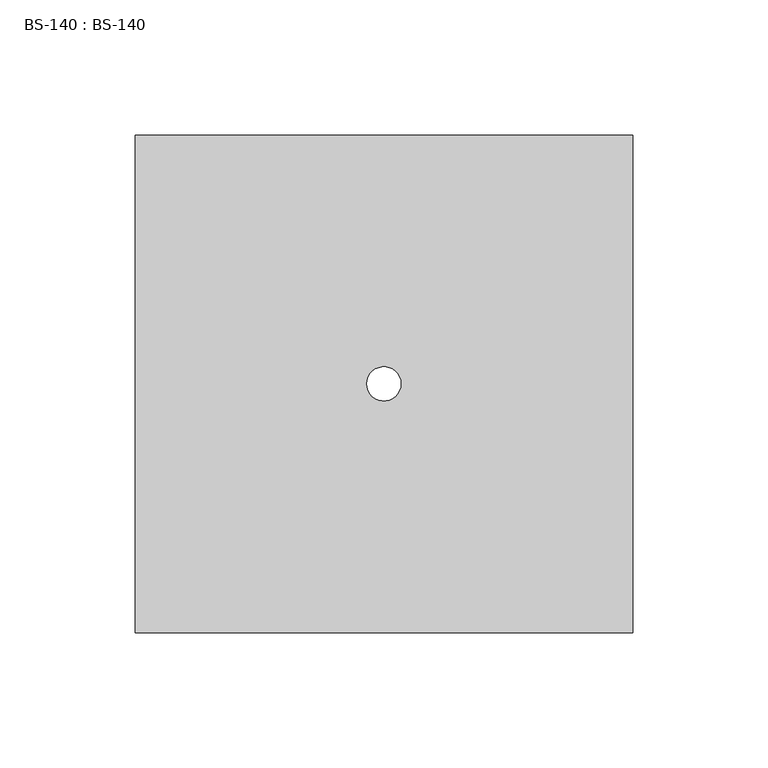
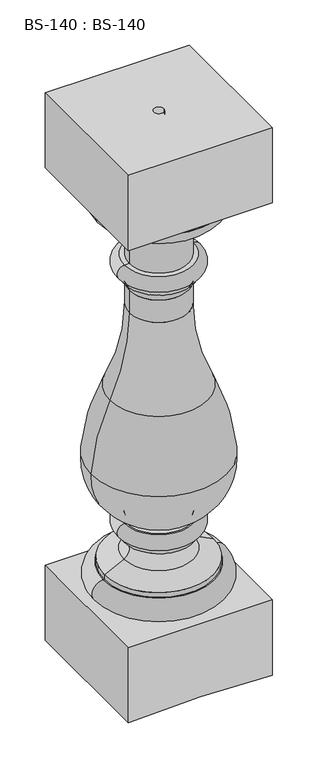
"""IFC4 building model written with IfcOpenShell, lengths in millimetres: proxy geometry, BS-140 : BS-140."""

import ifcopenshell
import ifcopenshell.guid

model = None  # the IFC model being written
_history = None  # IfcOwnerHistory: only IFC2X3 demands one
_inside = {}  # id of a spatial element -> (the spatial element, [elements in it])
_under = {}  # id of a project, library or spatial element -> (it, [spatial elements below it])
_declared = {}  # id of a project -> (the project, [libraries it declares])
_typed = {}  # id of a type object -> (the type object, [elements of that type])
_made_of = {}  # id of a material, layer set ... -> (it, [elements and type objects made of it])


def new_model(schema):
    """Start an empty IFC model of exactly this schema.

    Asked for "IFC4X3", IfcOpenShell would pick the latest addendum, in which some entities
    have other attributes; the version numbers below select the first issue.
    IFC2X3 requires an IfcOwnerHistory on every rooted entity: one is made here for all.
    """
    global model, _history
    if schema == "IFC4X3":
        model = ifcopenshell.file(schema_version=(4, 3, 0, 0))
    else:
        model = ifcopenshell.file(schema=schema)
    _inside.clear()
    _under.clear()
    _declared.clear()
    _typed.clear()
    _made_of.clear()
    _history = None
    if model.schema == "IFC2X3":
        org = make("IfcOrganization", Name="unknown")
        user = make(
            "IfcPersonAndOrganization",
            ThePerson=make("IfcPerson", FamilyName="unknown"),
            TheOrganization=org,
        )
        app = make(
            "IfcApplication",
            ApplicationDeveloper=org,
            Version="unknown",
            ApplicationFullName="unknown",
            ApplicationIdentifier="unknown",
        )
        _history = make(
            "IfcOwnerHistory",
            OwningUser=user,
            OwningApplication=app,
            ChangeAction="ADDED",
            CreationDate=0,
        )
    return model


def make(cls, **values):
    """One entity of the class cls with the attributes given. An attribute that is None is left unset."""
    return model.create_entity(
        cls, **{name: value for name, value in values.items() if value is not None}
    )


def rooted(cls, **values):
    """An entity with a GlobalId (a new one), such as an element, a storey or a relation."""
    return make(cls, GlobalId=ifcopenshell.guid.new(), OwnerHistory=_history, **values)


def si_unit(unit_type, name, prefix=None):
    """IfcSIUnit, for example si_unit("LENGTHUNIT", "METRE", prefix="MILLI")."""
    return make("IfcSIUnit", UnitType=unit_type, Prefix=prefix, Name=name)


def assignment(units):
    """IfcUnitAssignment: the units of a project."""
    return None if units is None else make("IfcUnitAssignment", Units=units)


def point(xyz):
    """IfcCartesianPoint."""
    return None if xyz is None else make("IfcCartesianPoint", Coordinates=xyz)


def direction(xyz):
    """IfcDirection."""
    return None if xyz is None else make("IfcDirection", DirectionRatios=xyz)


def frame(location, z_axis=None, x_axis=None):
    """IfcAxis2Placement3D, a coordinate frame: its origin and axes. An axis left out is left unset."""
    return make(
        "IfcAxis2Placement3D",
        Location=point(location),
        Axis=direction(z_axis),
        RefDirection=direction(x_axis),
    )


def origin():
    """The frame at (0, 0, 0) with its axes left unset."""
    return frame((0.0, 0.0, 0.0))


def place(relative_to, where):
    """IfcLocalPlacement: puts the frame where relative to a parent placement (None: the world)."""
    return make(
        "IfcLocalPlacement", PlacementRelTo=relative_to, RelativePlacement=where
    )


def context(
    kind, dimensions, precision=None, world=None, true_north=None, identifier=None
):
    """IfcGeometricRepresentationContext, for example the 3D "Model" context."""
    return make(
        "IfcGeometricRepresentationContext",
        ContextIdentifier=identifier,
        ContextType=kind,
        CoordinateSpaceDimension=dimensions,
        Precision=precision,
        WorldCoordinateSystem=world,
        TrueNorth=true_north,
    )


def project(units=None, contexts=None):
    """IfcProject with its units and contexts."""
    return rooted(
        "IfcProject",
        Name="project",
        RepresentationContexts=contexts,
        UnitsInContext=assignment(units),
    )


def spatial(cls, under=None, at=None, **own):
    """A site, building, storey or space (cls), placed at a placement, below another one or the project."""
    s = rooted(cls, ObjectPlacement=at, **own)
    if under is not None:
        _under.setdefault(under.id(), (under, []))[1].append(s)
    return s


def polyline(points):
    """IfcPolyline through the points."""
    return make("IfcPolyline", Points=[point(p) for p in points])


def circle_curve(where, radius):
    """IfcCircle in the frame where."""
    return make("IfcCircle", Position=where, Radius=radius)


def ellipse_curve(where, semi_axis1, semi_axis2):
    """IfcEllipse in the frame where."""
    return make(
        "IfcEllipse", Position=where, SemiAxis1=semi_axis1, SemiAxis2=semi_axis2
    )


def trimmed(basis, trim1, trim2, sense, master):
    """IfcTrimmedCurve: the piece of a basis curve between two trims."""
    return make(
        "IfcTrimmedCurve",
        BasisCurve=basis,
        Trim1=trim1,
        Trim2=trim2,
        SenseAgreement=sense,
        MasterRepresentation=master,
    )


def shape(context_of_items, identifier, shape_type, items):
    """IfcShapeRepresentation: the items that make up one representation, for example the "Body"."""
    return make(
        "IfcShapeRepresentation",
        ContextOfItems=context_of_items,
        RepresentationIdentifier=identifier,
        RepresentationType=shape_type,
        Items=items,
    )


def source(mapping_origin, context_of_items, identifier, shape_type, items):
    """IfcRepresentationMap: a shape defined once, which mapped items show again and again."""
    return make(
        "IfcRepresentationMap",
        MappingOrigin=mapping_origin,
        MappedRepresentation=shape(context_of_items, identifier, shape_type, items),
    )


def transform(
    local_origin,
    x_axis=None,
    y_axis=None,
    z_axis=None,
    scale=None,
    scale2=None,
    scale3=None,
    uniform=True,
):
    """IfcCartesianTransformationOperator3D, or its non-uniform kind. x_axis, y_axis, z_axis: its Axis1, 2, 3."""
    if uniform:
        return make(
            "IfcCartesianTransformationOperator3D",
            Axis1=direction(x_axis),
            Axis2=direction(y_axis),
            LocalOrigin=point(local_origin),
            Scale=scale,
            Axis3=direction(z_axis),
        )
    return make(
        "IfcCartesianTransformationOperator3DnonUniform",
        Axis1=direction(x_axis),
        Axis2=direction(y_axis),
        LocalOrigin=point(local_origin),
        Scale=scale,
        Axis3=direction(z_axis),
        Scale2=scale2,
        Scale3=scale3,
    )


def mapped(mapping_source, mapping_target):
    """IfcMappedItem: shows the shape of a source again, moved by a transform."""
    return make(
        "IfcMappedItem", MappingSource=mapping_source, MappingTarget=mapping_target
    )


def made_of(thing, what):
    """Note that an element or type object is made of a material, layer set ...; save() writes the relation."""
    if what is not None:
        _made_of.setdefault(what.id(), (what, []))[1].append(thing)
    return thing


def element(
    cls,
    number,
    at=None,
    inside=None,
    cuts=None,
    type_object=None,
    material=None,
    context=None,
    identifier="Body",
    shape_type=None,
    held_by="IfcProductDefinitionShape",
    body=None,
    shapes=None,
    **own,
):
    """One element of the class cls, such as IfcWall. Its Tag is "e" and its number.

    at: its placement. inside: the storey or other place that contains it. cuts: it is an
    opening in that element (IfcRelVoidsElement). A single representation is given by context,
    identifier, shape_type and body (its items); several are given by shapes. held_by: the class
    of the entity that holds the representations. save() writes the other relations.
    """
    e = rooted(cls, Tag="e%d" % number, ObjectPlacement=at, **own)
    if body is not None:
        shapes = [shape(context, identifier, shape_type, body)]
    if shapes is not None:
        e.Representation = make(held_by, Representations=shapes)
    if inside is not None:
        _inside.setdefault(inside.id(), (inside, []))[1].append(e)
    if cuts is not None:
        rooted(
            "IfcRelVoidsElement", RelatingBuildingElement=cuts, RelatedOpeningElement=e
        )
    if type_object is not None:
        _typed.setdefault(type_object.id(), (type_object, []))[1].append(e)
    return made_of(e, material)


def aggregate(whole, parts):
    """IfcRelAggregates: a whole, such as a stair, and the parts it consists of."""
    return rooted("IfcRelAggregates", RelatingObject=whole, RelatedObjects=parts)


def save(model, path):
    """Write the relations noted so far, then the file.

    IfcRelAggregates (storeys below a building ...), IfcRelContainedInSpatialStructure (elements
    in a storey), IfcRelDefinesByType, IfcRelAssociatesMaterial and IfcRelDeclares: one each for
    every whole, place, type object, material and project.
    """
    for whole, parts in _under.values():
        aggregate(whole, parts)
    for where, things in _inside.values():
        rooted(
            "IfcRelContainedInSpatialStructure",
            RelatedElements=things,
            RelatingStructure=where,
        )
    for kind, things in _typed.values():
        rooted("IfcRelDefinesByType", RelatedObjects=things, RelatingType=kind)
    for what, things in _made_of.values():
        rooted("IfcRelAssociatesMaterial", RelatedObjects=things, RelatingMaterial=what)
    for by, libraries in _declared.values():
        rooted("IfcRelDeclares", RelatingContext=by, RelatedDefinitions=libraries)
    model.write(path)


def plane_surface(at):
    """IfcPlane: the flat surface through the origin of the frame at, square to its z axis."""
    return make("IfcPlane", Position=at)


def cylinder_surface(at, radius):
    """IfcCylindricalSurface: all points at the distance radius from the z axis of the frame at."""
    return make("IfcCylindricalSurface", Position=at, Radius=radius)


def revolved_surface(curve, axis_point, axis_direction):
    """IfcSurfaceOfRevolution: the curve turned about the line through axis_point along axis_direction."""
    return make(
        "IfcSurfaceOfRevolution",
        SweptCurve=make("IfcArbitraryOpenProfileDef", ProfileType="CURVE", Curve=curve),
        AxisPosition=make("IfcAxis1Placement", Location=point(axis_point), Axis=direction(axis_direction)),
    )


def advanced_brep(points, edges, surfaces, faces):
    """IfcAdvancedBrep: a solid bounded by faces that lie on surfaces and meet in shared edges.

    An edge is (start, end): straight between two places in points (the first is 0);
    or (start, end, curve); or (start, end, curve, False) where it runs against its curve.
    A face is (place in surfaces, loops), or (place, loops, False) where it looks against
    its surface's normal. A loop lists edges by number (the first is 1), with a minus sign
    where the edge is run from its end to its start. The first loop is the outer one.
    """
    corners = [point(p) for p in points]
    vertices = [make("IfcVertexPoint", VertexGeometry=c) for c in corners]
    made = []
    for start, end, *more in edges:
        made.append(
            make(
                "IfcEdgeCurve",
                EdgeStart=vertices[start],
                EdgeEnd=vertices[end],
                EdgeGeometry=more[0] if more else make("IfcPolyline", Points=[corners[start], corners[end]]),
                SameSense=more[1] if len(more) > 1 else True,
            )
        )
    hull = []
    for where, loops, *sense in faces:
        bounds = []
        for j, loop in enumerate(loops):
            ring = [make("IfcOrientedEdge", EdgeElement=made[abs(k) - 1], Orientation=k > 0) for k in loop]
            bounds.append(
                make(
                    "IfcFaceOuterBound" if j == 0 else "IfcFaceBound",
                    Bound=make("IfcEdgeLoop", EdgeList=ring),
                    Orientation=True,
                )
            )
        hull.append(make("IfcAdvancedFace", Bounds=bounds, FaceSurface=surfaces[where], SameSense=sense[0] if sense else True))
    return make("IfcAdvancedBrep", Outer=make("IfcClosedShell", CfsFaces=hull))


def bs_140_bs_140_872a75e1(model_context):
    return source(origin(), model_context, "Body", "AdvancedBrep", [
        advanced_brep(
        [(-92.075, -92.075, 739.6974192), (-92.075, -92.075, 638.175), (92.075, -92.075, 638.175), (92.075, -92.075, 739.6974192), (-92.075, 92.075, 739.6974192), (92.075, 92.075, 739.6974192), (92.075, 92.075, 638.175), (-92.075, 92.075, 638.175), (-6.35, 0.0, 739.6974192), (6.35, 0.0, 739.6974192), (82.4248488, 0.0, 638.175), (-82.4248488, 0.0, 638.175), (82.4248488, 0.0, 628.65), (-82.4248488, 0.0, 628.65), (-71.3123488, 0.0, 130.175), (71.3123488, 0.0, 130.175), (71.3123488, 0.0, 101.6), (-71.3123488, 0.0, 101.6), (-69.7248488, 0.0, 130.175), (69.7248488, 0.0, 130.175), (-69.7248488, 0.0, 136.525), (69.7248488, 0.0, 136.525), (-44.8565283, 0.0, 149.047686), (44.8565283, 0.0, 149.047686), (-44.3248488, 0.0, 171.45), (44.3248488, 0.0, 171.45), (-44.3248488, 0.0, 177.8), (44.3248488, 0.0, 177.8), (-44.3248488, 0.0, 196.85), (44.3248488, 0.0, 196.85), (-42.0958686, 0.0, 196.85), (42.0958686, 0.0, 196.85), (-40.8515278, 0.0, 202.946), (40.8515278, 0.0, 202.946), (-86.992656, 0.0, 278.4936464), (86.992656, 0.0, 278.4936464), (-62.8082405, 0.0, 369.8865792), (62.8082405, 0.0, 369.8865792), (-37.9748488, 0.0, 479.425), (37.9748488, 0.0, 479.425), (-37.9748488, 0.0, 509.7014774), (37.9748488, 0.0, 509.7014774), (-44.3248488, 0.0, 520.7), (44.3248488, 0.0, 520.7), (-44.3248488, 0.0, 527.05), (44.3248488, 0.0, 527.05), (-44.3248488, 0.0, 546.1), (44.3248488, 0.0, 546.1), (-37.9748488, 0.0, 546.1), (37.9748488, 0.0, 546.1), (-37.9748488, 0.0, 587.375), (37.9748488, 0.0, 587.375), (-50.6748488, 0.0, 600.075), (50.6748488, 0.0, 600.075), (-50.6748488, 0.0, 606.425), (50.6748488, 0.0, 606.425), (-60.1998488, 0.0, 606.425), (60.1998488, 0.0, 606.425), (-92.075, -92.075, 101.6), (-92.075, -92.075, 0.0), (0.0, -92.075, 3.175), (92.075, -92.075, 0.0), (92.075, -92.075, 101.6), (-92.075, 92.075, 101.6), (92.075, 92.075, 101.6), (92.075, 92.075, 0.0), (0.0, 92.075, 3.175), (-92.075, 92.075, 0.0), (0.0, 6.35, 3.175), (-6.35, 0.0, 2.9560345), (0.0, -6.35, 3.175), (6.35, 0.0, 2.9560345)],
        [
            (0, 1),
            (1, 2),
            (2, 3),
            (3, 0),
            (4, 5),
            (5, 6),
            (6, 7),
            (7, 4),
            (0, 4),
            (7, 1),
            (2, 6),
            (5, 3),
            (8, 9, circle_curve(frame((0.0, 0.0, 739.6974192), z_axis=(0.0, 0.0, -1.0), x_axis=(1.0, 0.0, 0.0)), 6.35)),
            (9, 8, circle_curve(frame((0.0, 0.0, 739.6974192), z_axis=(0.0, 0.0, -1.0), x_axis=(1.0, 0.0, 0.0)), 6.35)),
            (10, 11, circle_curve(frame((0.0, 0.0, 638.175), z_axis=(0.0, 0.0, 1.0), x_axis=(1.0, 0.0, 0.0)), 82.4248488)),
            (11, 10, circle_curve(frame((0.0, 0.0, 638.175), z_axis=(0.0, 0.0, 1.0), x_axis=(1.0, 0.0, 0.0)), 82.4248488)),
            (10, 12),
            (12, 13, circle_curve(frame((0.0, 0.0, 628.65), z_axis=(0.0, 0.0, 1.0), x_axis=(1.0, 0.0, 0.0)), 82.4248488)),
            (13, 11),
            (13, 12, circle_curve(frame((0.0, 0.0, 628.65), z_axis=(0.0, 0.0, 1.0), x_axis=(1.0, 0.0, 0.0)), 82.4248488)),
            (14, 15, circle_curve(frame((0.0, 0.0, 130.175), z_axis=(0.0, 0.0, -1.0), x_axis=(1.0, 0.0, 0.0)), 71.3123488)),
            (15, 16, circle_curve(frame((71.3123488, 0.0, 115.8875), z_axis=(0.0, 1.0, 0.0), x_axis=(1.0, 0.0, 0.0)), 14.2875)),
            (16, 17, circle_curve(frame((0.0, 0.0, 101.6), z_axis=(0.0, 0.0, 1.0), x_axis=(1.0, 0.0, 0.0)), 71.3123488)),
            (17, 14, circle_curve(frame((-71.3123488, 0.0, 115.8875), z_axis=(0.0, 1.0, 0.0), x_axis=(-1.0, 0.0, 0.0)), 14.2875)),
            (15, 14, circle_curve(frame((0.0, 0.0, 130.175), z_axis=(0.0, 0.0, -1.0), x_axis=(1.0, 0.0, 0.0)), 71.3123488)),
            (17, 16, circle_curve(frame((0.0, 0.0, 101.6), z_axis=(0.0, 0.0, 1.0), x_axis=(1.0, 0.0, 0.0)), 71.3123488)),
            (14, 18),
            (18, 19, circle_curve(frame((0.0, 0.0, 130.175), z_axis=(0.0, 0.0, -1.0), x_axis=(1.0, 0.0, 0.0)), 69.7248488)),
            (19, 15),
            (19, 18, circle_curve(frame((0.0, 0.0, 130.175), z_axis=(0.0, 0.0, -1.0), x_axis=(1.0, 0.0, 0.0)), 69.7248488)),
            (18, 20),
            (20, 21, circle_curve(frame((0.0, 0.0, 136.525), z_axis=(0.0, 0.0, -1.0), x_axis=(1.0, 0.0, 0.0)), 69.7248488)),
            (21, 19),
            (21, 20, circle_curve(frame((0.0, 0.0, 136.525), z_axis=(0.0, 0.0, -1.0), x_axis=(1.0, 0.0, 0.0)), 69.7248488)),
            (20, 22),
            (22, 23, circle_curve(frame((0.0, 0.0, 149.047686), z_axis=(0.0, 0.0, -1.0), x_axis=(1.0, 0.0, 0.0)), 44.8565283)),
            (23, 21),
            (23, 22, circle_curve(frame((0.0, 0.0, 149.047686), z_axis=(0.0, 0.0, -1.0), x_axis=(1.0, 0.0, 0.0)), 44.8565283)),
            (22, 24, circle_curve(frame((-50.5684209, 0.0, 160.390714), z_axis=(0.0, -1.0, 0.0), x_axis=(-1.0, 0.0, 0.0)), 12.7)),
            (24, 25, circle_curve(frame((0.0, 0.0, 171.45), z_axis=(0.0, 0.0, -1.0), x_axis=(1.0, 0.0, 0.0)), 44.3248488)),
            (25, 23, circle_curve(frame((50.5684209, 0.0, 160.390714), z_axis=(0.0, -1.0, 0.0), x_axis=(1.0, 0.0, 0.0)), 12.7)),
            (25, 24, circle_curve(frame((0.0, 0.0, 171.45), z_axis=(0.0, 0.0, -1.0), x_axis=(1.0, 0.0, 0.0)), 44.3248488)),
            (24, 26),
            (26, 27, circle_curve(frame((0.0, 0.0, 177.8), z_axis=(0.0, 0.0, -1.0), x_axis=(1.0, 0.0, 0.0)), 44.3248488)),
            (27, 25),
            (27, 26, circle_curve(frame((0.0, 0.0, 177.8), z_axis=(0.0, 0.0, -1.0), x_axis=(1.0, 0.0, 0.0)), 44.3248488)),
            (26, 28, circle_curve(frame((-44.3248488, 0.0, 187.325), z_axis=(0.0, 1.0, 0.0), x_axis=(-1.0, 0.0, 0.0)), 9.525)),
            (28, 29, circle_curve(frame((0.0, 0.0, 196.85), z_axis=(0.0, 0.0, -1.0), x_axis=(1.0, 0.0, 0.0)), 44.3248488)),
            (29, 27, circle_curve(frame((44.3248488, 0.0, 187.325), z_axis=(0.0, 1.0, 0.0), x_axis=(1.0, 0.0, 0.0)), 9.525)),
            (29, 28, circle_curve(frame((0.0, 0.0, 196.85), z_axis=(0.0, 0.0, -1.0), x_axis=(1.0, 0.0, 0.0)), 44.3248488)),
            (28, 30),
            (30, 31, circle_curve(frame((0.0, 0.0, 196.85), z_axis=(0.0, 0.0, -1.0), x_axis=(1.0, 0.0, 0.0)), 42.0958686)),
            (31, 29),
            (31, 30, circle_curve(frame((0.0, 0.0, 196.85), z_axis=(0.0, 0.0, -1.0), x_axis=(1.0, 0.0, 0.0)), 42.0958686)),
            (30, 32, circle_curve(frame((-42.0958686, 0.0, 200.025), z_axis=(0.0, -1.0, 0.0), x_axis=(-1.0, 0.0, 0.0)), 3.175)),
            (32, 33, circle_curve(frame((0.0, 0.0, 202.946), z_axis=(0.0, 0.0, -1.0), x_axis=(1.0, 0.0, 0.0)), 40.8515278)),
            (33, 31, circle_curve(frame((42.0958686, 0.0, 200.025), z_axis=(0.0, -1.0, 0.0), x_axis=(1.0, 0.0, 0.0)), 3.175)),
            (33, 32, circle_curve(frame((0.0, 0.0, 202.946), z_axis=(0.0, 0.0, -1.0), x_axis=(1.0, 0.0, 0.0)), 40.8515278)),
            (32, 34, circle_curve(frame((-10.9873488, 0.0, 273.05), z_axis=(0.0, 1.0, 0.0), x_axis=(-1.0, 0.0, 0.0)), 76.2)),
            (34, 35, circle_curve(frame((0.0, 0.0, 278.4936464), z_axis=(0.0, 0.0, -1.0), x_axis=(1.0, 0.0, 0.0)), 86.992656)),
            (35, 33, circle_curve(frame((10.9873488, 0.0, 273.05), z_axis=(0.0, 1.0, 0.0), x_axis=(1.0, 0.0, 0.0)), 76.2)),
            (35, 34, circle_curve(frame((0.0, 0.0, 278.4936464), z_axis=(0.0, 0.0, -1.0), x_axis=(1.0, 0.0, 0.0)), 86.992656)),
            (34, 36, circle_curve(frame((166.3583678, 0.0, 260.3481585), z_axis=(0.0, 1.0, 0.0), x_axis=(-1.0, 0.0, 0.0)), 254.0)),
            (36, 37, circle_curve(frame((0.0, 0.0, 369.8865792), z_axis=(0.0, 0.0, -1.0), x_axis=(1.0, 0.0, 0.0)), 62.8082405)),
            (37, 35, circle_curve(frame((-166.3583678, 0.0, 260.3481585), z_axis=(0.0, 1.0, 0.0), x_axis=(1.0, 0.0, 0.0)), 254.0)),
            (37, 36, circle_curve(frame((0.0, 0.0, 369.8865792), z_axis=(0.0, 0.0, -1.0), x_axis=(1.0, 0.0, 0.0)), 62.8082405)),
            (36, 38, circle_curve(frame((-291.9748488, 0.0, 479.425), z_axis=(0.0, -1.0, 0.0), x_axis=(-1.0, 0.0, 0.0)), 254.0)),
            (38, 39, circle_curve(frame((0.0, 0.0, 479.425), z_axis=(0.0, 0.0, -1.0), x_axis=(1.0, 0.0, 0.0)), 37.9748488)),
            (39, 37, circle_curve(frame((291.9748488, 0.0, 479.425), z_axis=(0.0, -1.0, 0.0), x_axis=(1.0, 0.0, 0.0)), 254.0)),
            (39, 38, circle_curve(frame((0.0, 0.0, 479.425), z_axis=(0.0, 0.0, -1.0), x_axis=(1.0, 0.0, 0.0)), 37.9748488)),
            (38, 40),
            (40, 41, circle_curve(frame((0.0, 0.0, 509.7014774), z_axis=(0.0, 0.0, -1.0), x_axis=(1.0, 0.0, 0.0)), 37.9748488)),
            (41, 39),
            (41, 40, circle_curve(frame((0.0, 0.0, 509.7014774), z_axis=(0.0, 0.0, -1.0), x_axis=(1.0, 0.0, 0.0)), 37.9748488)),
            (40, 42, circle_curve(frame((-50.6748488, 0.0, 509.7014774), z_axis=(0.0, -1.0, 0.0), x_axis=(-1.0, 0.0, 0.0)), 12.7)),
            (42, 43, circle_curve(frame((0.0, 0.0, 520.7), z_axis=(0.0, 0.0, -1.0), x_axis=(1.0, 0.0, 0.0)), 44.3248488)),
            (43, 41, circle_curve(frame((50.6748488, 0.0, 509.7014774), z_axis=(0.0, -1.0, 0.0), x_axis=(1.0, 0.0, 0.0)), 12.7)),
            (43, 42, circle_curve(frame((0.0, 0.0, 520.7), z_axis=(0.0, 0.0, -1.0), x_axis=(1.0, 0.0, 0.0)), 44.3248488)),
            (42, 44),
            (44, 45, circle_curve(frame((0.0, 0.0, 527.05), z_axis=(0.0, 0.0, -1.0), x_axis=(1.0, 0.0, 0.0)), 44.3248488)),
            (45, 43),
            (45, 44, circle_curve(frame((0.0, 0.0, 527.05), z_axis=(0.0, 0.0, -1.0), x_axis=(1.0, 0.0, 0.0)), 44.3248488)),
            (44, 46, circle_curve(frame((-44.3248488, 0.0, 536.575), z_axis=(0.0, 1.0, 0.0), x_axis=(-1.0, 0.0, 0.0)), 9.525)),
            (46, 47, circle_curve(frame((0.0, 0.0, 546.1), z_axis=(0.0, 0.0, -1.0), x_axis=(1.0, 0.0, 0.0)), 44.3248488)),
            (47, 45, circle_curve(frame((44.3248488, 0.0, 536.575), z_axis=(0.0, 1.0, 0.0), x_axis=(1.0, 0.0, 0.0)), 9.525)),
            (47, 46, circle_curve(frame((0.0, 0.0, 546.1), z_axis=(0.0, 0.0, -1.0), x_axis=(1.0, 0.0, 0.0)), 44.3248488)),
            (46, 48),
            (48, 49, circle_curve(frame((0.0, 0.0, 546.1), z_axis=(0.0, 0.0, -1.0), x_axis=(1.0, 0.0, 0.0)), 37.9748488)),
            (49, 47),
            (49, 48, circle_curve(frame((0.0, 0.0, 546.1), z_axis=(0.0, 0.0, -1.0), x_axis=(1.0, 0.0, 0.0)), 37.9748488)),
            (48, 50),
            (50, 51, circle_curve(frame((0.0, 0.0, 587.375), z_axis=(0.0, 0.0, -1.0), x_axis=(1.0, 0.0, 0.0)), 37.9748488)),
            (51, 49),
            (51, 50, circle_curve(frame((0.0, 0.0, 587.375), z_axis=(0.0, 0.0, -1.0), x_axis=(1.0, 0.0, 0.0)), 37.9748488)),
            (50, 52, circle_curve(frame((-50.6748488, 0.0, 587.375), z_axis=(0.0, -1.0, 0.0), x_axis=(-1.0, 0.0, 0.0)), 12.7)),
            (52, 53, circle_curve(frame((0.0, 0.0, 600.075), z_axis=(0.0, 0.0, -1.0), x_axis=(1.0, 0.0, 0.0)), 50.6748488)),
            (53, 51, circle_curve(frame((50.6748488, 0.0, 587.375), z_axis=(0.0, -1.0, 0.0), x_axis=(1.0, 0.0, 0.0)), 12.7)),
            (53, 52, circle_curve(frame((0.0, 0.0, 600.075), z_axis=(0.0, 0.0, -1.0), x_axis=(1.0, 0.0, 0.0)), 50.6748488)),
            (52, 54),
            (54, 55, circle_curve(frame((0.0, 0.0, 606.425), z_axis=(0.0, 0.0, -1.0), x_axis=(1.0, 0.0, 0.0)), 50.6748488)),
            (55, 53),
            (55, 54, circle_curve(frame((0.0, 0.0, 606.425), z_axis=(0.0, 0.0, -1.0), x_axis=(1.0, 0.0, 0.0)), 50.6748488)),
            (54, 56),
            (56, 57, circle_curve(frame((0.0, 0.0, 606.425), z_axis=(0.0, 0.0, -1.0), x_axis=(1.0, 0.0, 0.0)), 60.1998488)),
            (57, 55),
            (57, 56, circle_curve(frame((0.0, 0.0, 606.425), z_axis=(0.0, 0.0, -1.0), x_axis=(1.0, 0.0, 0.0)), 60.1998488)),
            (12, 57, circle_curve(frame((60.1998488, 0.0, 628.65), z_axis=(0.0, 1.0, 0.0), x_axis=(1.0, 0.0, 0.0)), 22.225)),
            (56, 13, circle_curve(frame((-60.1998488, 0.0, 628.65), z_axis=(0.0, 1.0, 0.0), x_axis=(-1.0, 0.0, 0.0)), 22.225)),
            (58, 59),
            (59, 60),
            (60, 61),
            (61, 62),
            (62, 58),
            (63, 64),
            (64, 65),
            (65, 66),
            (66, 67),
            (67, 63),
            (58, 63),
            (67, 59),
            (61, 65),
            (64, 62),
            (66, 68),
            (68, 69, ellipse_curve(frame((0.0, 0.0, 3.175), z_axis=(-0.03446227583976707, 0.0, 0.999405999353588), x_axis=(-0.999405999353588, 0.0, -0.03446227583976504)), 6.3537741, 6.35)),
            (69, 70, ellipse_curve(frame((0.0, 0.0, 3.175), z_axis=(-0.03446227583976707, 0.0, 0.999405999353588), x_axis=(-0.999405999353588, 0.0, -0.03446227583976504)), 6.3537741, 6.35)),
            (70, 60),
            (70, 71, ellipse_curve(frame((0.0, 0.0, 3.175), z_axis=(0.034462275839785304, 0.0, 0.9994059993535873), x_axis=(0.9994059993535873, 0.0, -0.03446227583978545)), 6.3537741, 6.35)),
            (71, 68, ellipse_curve(frame((0.0, 0.0, 3.175), z_axis=(0.034462275839785304, 0.0, 0.9994059993535873), x_axis=(0.9994059993535873, 0.0, -0.03446227583978545)), 6.3537741, 6.35)),
            (8, 69),
            (71, 9),
        ],
        [
            plane_surface(frame((-92.075, -92.075, 638.0974192), z_axis=(0.0, -1.0, 0.0), x_axis=(0.0, 0.0, -1.0))),
            plane_surface(frame((-92.075, 92.075, 638.0974192), z_axis=(0.0, 1.0, 0.0), x_axis=(0.0, 0.0, 1.0))),
            plane_surface(frame((-92.075, -92.075, 739.6974192), z_axis=(-1.0, 0.0, 0.0), x_axis=(0.0, 1.0, 0.0))),
            plane_surface(frame((92.075, -92.075, 638.175), z_axis=(1.0, 0.0, 0.0), x_axis=(0.0, 1.0, 0.0))),
            plane_surface(frame((92.075, -92.075, 739.6974192), z_axis=(0.0, 0.0, 1.0), x_axis=(0.0, 1.0, 0.0))),
            plane_surface(frame((-92.075, -92.075, 638.175), z_axis=(0.0, 0.0, -1.0), x_axis=(0.0, 1.0, 0.0))),
            cylinder_surface(frame((0.0, 0.0, 739.6974192), z_axis=(0.0, 0.0, 1.0), x_axis=(1.0, 0.0, 0.0)), 82.4248488),
            revolved_surface(trimmed(ellipse_curve(frame((71.3123488, 0.0, 115.8875), z_axis=(0.0, -1.0, 0.0), x_axis=(1.0, 0.0, 0.0)), 14.2875, 14.2875), [point((71.3123488, 0.0, 101.6))], [point((71.3123488, 0.0, 130.175))], True, "CARTESIAN"), (0.0, 0.0, 739.6974192), (0.0, 0.0, 1.0)),
            plane_surface(frame((0.0, 0.0, 130.175), z_axis=(0.0, 0.0, 1.0), x_axis=(1.0, 0.0, 0.0))),
            cylinder_surface(frame((0.0, 0.0, 739.6974192), z_axis=(0.0, 0.0, 1.0), x_axis=(1.0, 0.0, 0.0)), 69.7248488),
            revolved_surface(polyline([(69.7248488, 0.0, 136.525), (44.8565283, 0.0, 149.047686)]), (0.0, 0.0, 739.6974192), (0.0, 0.0, 1.0)),
            revolved_surface(trimmed(ellipse_curve(frame((50.5684209, 0.0, 160.390714), z_axis=(0.0, 1.0, 0.0), x_axis=(1.0, 0.0, 0.0)), 12.7, 12.7), [point((44.8565283, 0.0, 149.047686))], [point((44.3248488, 0.0, 171.45))], True, "CARTESIAN"), (0.0, 0.0, 739.6974192), (0.0, 0.0, 1.0)),
            cylinder_surface(frame((0.0, 0.0, 739.6974192), z_axis=(0.0, 0.0, 1.0), x_axis=(1.0, 0.0, 0.0)), 44.3248488),
            revolved_surface(trimmed(ellipse_curve(frame((44.3248488, 0.0, 187.325), z_axis=(0.0, -1.0, 0.0), x_axis=(1.0, 0.0, 0.0)), 9.525, 9.525), [point((44.3248488, 0.0, 177.8))], [point((44.3248488, 0.0, 196.85))], True, "CARTESIAN"), (0.0, 0.0, 739.6974192), (0.0, 0.0, 1.0)),
            plane_surface(frame((0.0, 0.0, 196.85), z_axis=(0.0, 0.0, 1.0), x_axis=(1.0, 0.0, 0.0))),
            revolved_surface(trimmed(ellipse_curve(frame((42.0958686, 0.0, 200.025), z_axis=(0.0, 1.0, 0.0), x_axis=(1.0, 0.0, 0.0)), 3.175, 3.175), [point((42.0958686, 0.0, 196.85))], [point((40.8515278, 0.0, 202.946))], True, "CARTESIAN"), (0.0, 0.0, 739.6974192), (0.0, 0.0, 1.0)),
            revolved_surface(trimmed(ellipse_curve(frame((10.9873488, 0.0, 273.05), z_axis=(0.0, -1.0, 0.0), x_axis=(1.0, 0.0, 0.0)), 76.2, 76.2), [point((40.8515278, 0.0, 202.946))], [point((86.992656, 0.0, 278.4936464))], True, "CARTESIAN"), (0.0, 0.0, 739.6974192), (0.0, 0.0, 1.0)),
            revolved_surface(trimmed(ellipse_curve(frame((-166.3583678, 0.0, 260.3481585), z_axis=(0.0, -1.0, 0.0), x_axis=(1.0, 0.0, 0.0)), 254.0, 254.0), [point((86.992656, 0.0, 278.4936464))], [point((62.8082405, 0.0, 369.8865792))], True, "CARTESIAN"), (0.0, 0.0, 739.6974192), (0.0, 0.0, 1.0)),
            revolved_surface(trimmed(ellipse_curve(frame((291.9748488, 0.0, 479.425), z_axis=(0.0, 1.0, 0.0), x_axis=(1.0, 0.0, 0.0)), 254.0, 254.0), [point((62.8082405, 0.0, 369.8865792))], [point((37.9748488, 0.0, 479.425))], True, "CARTESIAN"), (0.0, 0.0, 739.6974192), (0.0, 0.0, 1.0)),
            cylinder_surface(frame((0.0, 0.0, 739.6974192), z_axis=(0.0, 0.0, 1.0), x_axis=(1.0, 0.0, 0.0)), 37.9748488),
            revolved_surface(trimmed(ellipse_curve(frame((50.6748488, 0.0, 509.7014774), z_axis=(0.0, 1.0, 0.0), x_axis=(1.0, 0.0, 0.0)), 12.7, 12.7), [point((37.9748488, 0.0, 509.7014774))], [point((44.3248488, 0.0, 520.7))], True, "CARTESIAN"), (0.0, 0.0, 739.6974192), (0.0, 0.0, 1.0)),
            revolved_surface(trimmed(ellipse_curve(frame((44.3248488, 0.0, 536.575), z_axis=(0.0, -1.0, 0.0), x_axis=(1.0, 0.0, 0.0)), 9.525, 9.525), [point((44.3248488, 0.0, 527.05))], [point((44.3248488, 0.0, 546.1))], True, "CARTESIAN"), (0.0, 0.0, 739.6974192), (0.0, 0.0, 1.0)),
            plane_surface(frame((0.0, 0.0, 546.1), z_axis=(0.0, 0.0, 1.0), x_axis=(1.0, 0.0, 0.0))),
            revolved_surface(trimmed(ellipse_curve(frame((50.6748488, 0.0, 587.375), z_axis=(0.0, 1.0, 0.0), x_axis=(1.0, 0.0, 0.0)), 12.7, 12.7), [point((37.9748488, 0.0, 587.375))], [point((50.6748488, 0.0, 600.075))], True, "CARTESIAN"), (0.0, 0.0, 739.6974192), (0.0, 0.0, 1.0)),
            cylinder_surface(frame((0.0, 0.0, 739.6974192), z_axis=(0.0, 0.0, 1.0), x_axis=(1.0, 0.0, 0.0)), 50.6748488),
            plane_surface(frame((0.0, 0.0, 606.425), z_axis=(0.0, 0.0, -1.0), x_axis=(1.0, 0.0, 0.0))),
            revolved_surface(trimmed(ellipse_curve(frame((60.1998488, 0.0, 628.65), z_axis=(0.0, -1.0, 0.0), x_axis=(1.0, 0.0, 0.0)), 22.225, 22.225), [point((60.1998488, 0.0, 606.425))], [point((82.4248488, 0.0, 628.65))], True, "CARTESIAN"), (0.0, 0.0, 739.6974192), (0.0, 0.0, 1.0)),
            plane_surface(frame((-92.075, -92.075, 0.0), z_axis=(0.0, -1.0, 0.0), x_axis=(0.0, 0.0, -1.0))),
            plane_surface(frame((-92.075, 92.075, 0.0), z_axis=(0.0, 1.0, 0.0), x_axis=(0.0, 0.0, 1.0))),
            plane_surface(frame((-92.075, -92.075, 101.6), z_axis=(-1.0, 0.0, 0.0), x_axis=(0.0, 1.0, 0.0))),
            plane_surface(frame((92.075, -92.075, 0.0), z_axis=(1.0, 0.0, 0.0), x_axis=(0.0, 1.0, 0.0))),
            plane_surface(frame((92.075, -92.075, 101.6), z_axis=(0.0, 0.0, 1.0), x_axis=(0.0, 1.0, 0.0))),
            plane_surface(frame((-92.075, -92.075, 0.0), z_axis=(0.03446227583976707, 0.0, -0.999405999353588), x_axis=(0.0, 1.0, 0.0))),
            plane_surface(frame((0.0, -92.075, 3.175), z_axis=(-0.034462275839785304, 0.0, -0.9994059993535873), x_axis=(0.0, 1.0, 0.0))),
            revolved_surface(polyline([(6.35, 0.0, 2.9560344843421262), (6.35, 0.0, 739.6974192)]), (0.0, 0.0, 739.6974192), (0.0, 0.0, -1.0)),
        ],
        [
            (0, [[1, 2, 3, 4]]),
            (1, [[5, 6, 7, 8]]),
            (2, [[-1, 9, -8, 10]]),
            (3, [[-3, 11, -6, 12]]),
            (4, [[-4, -12, -5, -9], [13, 14]]),
            (5, [[-2, -10, -7, -11], [15, 16]]),
            (6, [[17, 18, 19, -15]]),
            (6, [[-17, -16, -19, 20]]),
            (7, [[21, 22, 23, 24]]),
            (7, [[-22, 25, -24, 26]]),
            (8, [[-21, 27, 28, 29]]),
            (8, [[-25, -29, 30, -27]]),
            (9, [[-28, 31, 32, 33]]),
            (9, [[-30, -33, 34, -31]]),
            (10, [[-32, 35, 36, 37]]),
            (10, [[-34, -37, 38, -35]]),
            (11, [[-36, 39, 40, 41]]),
            (11, [[-38, -41, 42, -39]]),
            (12, [[-40, 43, 44, 45]]),
            (12, [[-42, -45, 46, -43]]),
            (13, [[-44, 47, 48, 49]]),
            (13, [[-46, -49, 50, -47]]),
            (14, [[-48, 51, 52, 53]]),
            (14, [[-50, -53, 54, -51]]),
            (15, [[-52, 55, 56, 57]]),
            (15, [[-54, -57, 58, -55]]),
            (16, [[-56, 59, 60, 61]]),
            (16, [[-58, -61, 62, -59]]),
            (17, [[-60, 63, 64, 65]]),
            (17, [[-62, -65, 66, -63]]),
            (18, [[-64, 67, 68, 69]]),
            (18, [[-66, -69, 70, -67]]),
            (19, [[-68, 71, 72, 73]]),
            (19, [[-70, -73, 74, -71]]),
            (20, [[-72, 75, 76, 77]]),
            (20, [[-74, -77, 78, -75]]),
            (12, [[-76, 79, 80, 81]]),
            (12, [[-78, -81, 82, -79]]),
            (21, [[-80, 83, 84, 85]]),
            (21, [[-82, -85, 86, -83]]),
            (22, [[-84, 87, 88, 89]]),
            (22, [[-86, -89, 90, -87]]),
            (19, [[-88, 91, 92, 93]]),
            (19, [[-90, -93, 94, -91]]),
            (23, [[-92, 95, 96, 97]]),
            (23, [[-94, -97, 98, -95]]),
            (24, [[-96, 99, 100, 101]]),
            (24, [[-98, -101, 102, -99]]),
            (25, [[-100, 103, 104, 105]]),
            (25, [[-102, -105, 106, -103]]),
            (26, [[-18, 107, -104, 108]]),
            (26, [[-20, -108, -106, -107]]),
            (27, [[109, 110, 111, 112, 113]]),
            (28, [[114, 115, 116, 117, 118]]),
            (29, [[-109, 119, -118, 120]]),
            (30, [[-112, 121, -115, 122]]),
            (31, [[-113, -122, -114, -119], [-23, -26]]),
            (32, [[-110, -120, -117, 123, 124, 125, 126]]),
            (33, [[-111, -126, 127, 128, -123, -116, -121]]),
            (34, [[129, -124, -128, 130, -13]]),
            (34, [[-129, -14, -130, -127, -125]]),
        ],
    ),
    ])


if __name__ == "__main__":
    model = new_model("IFC4")
    model_context = context("Model", 3, world=origin())
    ifc_project = project(units=[si_unit("LENGTHUNIT", "METRE", prefix="MILLI")], contexts=[model_context])
    site = spatial("IfcSite", under=ifc_project)
    building = spatial("IfcBuilding", under=site)
    placement = place(None, origin())
    bs_140_bs_140_shape = bs_140_bs_140_872a75e1(model_context)
    element("IfcBuildingElementProxy", 1, Name="BS-140 : BS-140", ObjectType="BS-140 : BS-140", at=placement, inside=building, context=model_context, shape_type="MappedRepresentation", body=[
        mapped(bs_140_bs_140_shape, transform((0.0, 0.0, 0.0), x_axis=(1.0, 0.0, 0.0), y_axis=(0.0, 1.0, 0.0), z_axis=(0.0, 0.0, 1.0))),
    ])
    save(model, "model.ifc")
